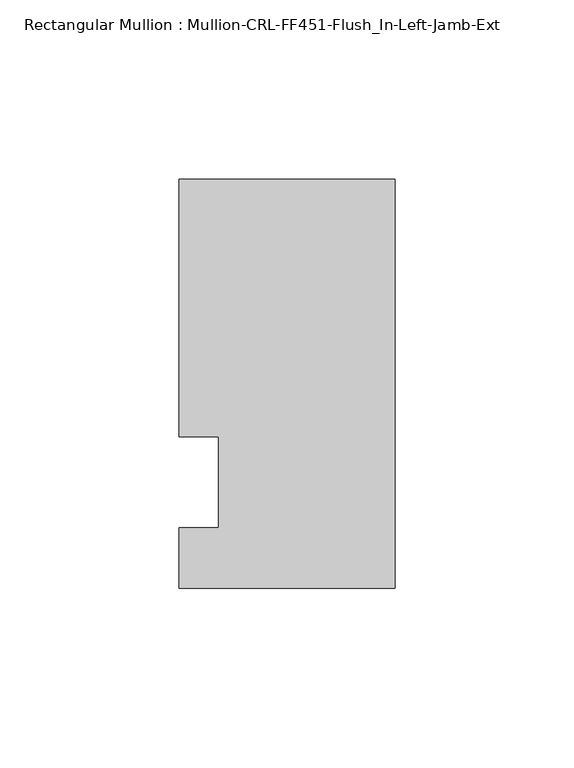
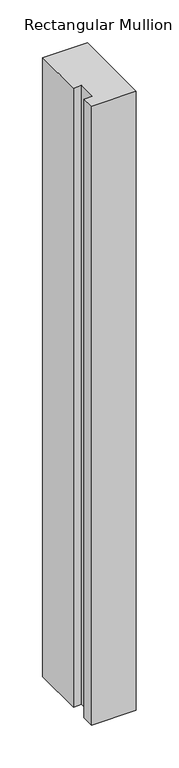
"""IFC4 building model written with IfcOpenShell, lengths in millimetres: member geometry, Rectangular Mullion : Mullion-CRL-FF451-Flush_In-Left-Jamb-Ext."""

from ifc_helpers import new_model, si_unit, frame, origin, place, context, project, spatial, polyline, outline, extrude, source, transform, mapped, element, save


def rectangular_mullion_mullion_crl_ff451_flush_in_left_jamb_ext_9da998c2(model_context):
    return source(origin(), model_context, "Body", "SweptSolid", [
        extrude(outline(polyline([(-60.362207, -29.6454132), (-60.362207, -12.7), (-49.222241, -12.7), (-49.222241, 12.7), (-60.362207, 12.7), (-60.362207, 84.6545868), (0.0, 84.6545868), (0.0, -29.6454132), (-60.362207, -29.6454132)])), frame((0.0, 0.0, -882.65), z_axis=(0.0, 0.0, 1.0), x_axis=(1.0, 0.0, 0.0)), (0.0, 0.0, 1.0), 882.65),
    ])


if __name__ == "__main__":
    model = new_model("IFC4")
    model_context = context("Model", 3, world=origin())
    ifc_project = project(units=[si_unit("LENGTHUNIT", "METRE", prefix="MILLI")], contexts=[model_context])
    site = spatial("IfcSite", under=ifc_project)
    building = spatial("IfcBuilding", under=site)
    placement = place(None, origin())
    rectangular_mullion_mullion_crl_ff451_flush_in_left_jamb_ext_shape = rectangular_mullion_mullion_crl_ff451_flush_in_left_jamb_ext_9da998c2(model_context)
    element("IfcMember", 1, ObjectType="Rectangular Mullion : Mullion-CRL-FF451-Flush_In-Left-Jamb-Ext", at=placement, inside=building, context=model_context, shape_type="MappedRepresentation", body=[
        mapped(rectangular_mullion_mullion_crl_ff451_flush_in_left_jamb_ext_shape, transform((0.0, 0.0, 0.0), x_axis=(1.0, 0.0, 0.0), y_axis=(0.0, 1.0, 0.0), z_axis=(0.0, 0.0, 1.0))),
    ])
    save(model, "model.ifc")
